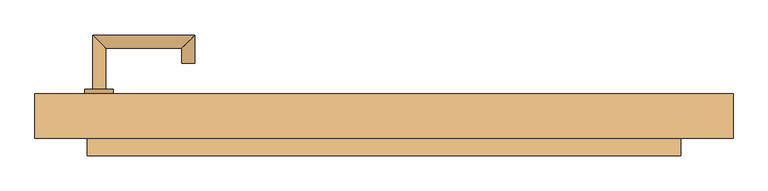
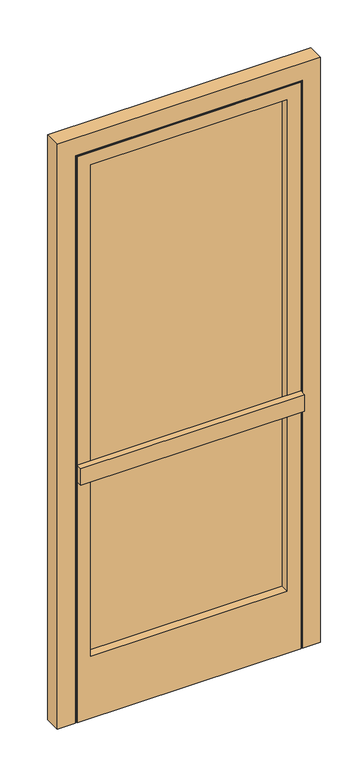
"""IFC4 building model written with IfcOpenShell, lengths in millimetres: door geometry."""

from ifc_helpers import new_model, si_unit, point, frame, frame_2d, origin, place, context, project, spatial, polyline, circle_curve, ellipse_curve, trimmed, segment, composite_curve, outline, extrude, faceted_brep, source, transform, mapped, element, save
from ifc_brep_helpers import plane_surface, cylinder_surface, advanced_brep


def door_94a16feb(model_context):
    return source(origin(), model_context, "Body", "SolidModel", [
        extrude(outline(polyline([(2355.3, 471.4875), (2355.3, -471.4875), (0.0, -471.4875), (0.0, 471.4875), (2355.3, 471.4875)]), holes=[polyline([(254.0, 381.0), (254.0, -381.0), (2264.8125, -381.0), (2264.8125, 381.0), (254.0, 381.0)])]), frame((0.0, 19.7696971, 0.0), z_axis=(0.0, 1.0, 0.0), x_axis=(0.0, 0.0, 1.0)), (0.0, 0.0, 1.0), 2.4553029),
        faceted_brep([(450.85, -39.4983196, 2334.6625), (-450.85, -39.4983196, 2334.6625), (-450.85, -39.4983196, 0.0), (-433.3875, -39.4983196, 0.0), (-433.3875, -39.4983196, 2317.2), (433.3875, -39.4983196, 2317.2), (433.3875, -39.4983196, 0.0), (450.85, -39.4983196, 0.0), (450.85, 19.7696971, 2334.6625), (450.85, 19.7696971, 0.0), (-450.85, 19.7696971, 0.0), (-450.85, 19.7696971, 2334.6625), (381.0, 19.7696971, 2264.8125), (-381.0, 19.7696971, 2264.8125), (-381.0, 19.7696971, 254.0), (381.0, 19.7696971, 254.0), (-381.0, -42.8625, 2264.8125), (-381.0, -42.8625, 254.0), (381.0, -42.8625, 2264.8125), (381.0, -42.8625, 254.0), (433.3875, -42.8625, 0.0), (-433.3875, -42.8625, 0.0), (433.3875, -42.8625, 2317.2), (-433.3875, -42.8625, 2317.2)], [[[0, 1, 2, 3, 4, 5, 6, 7]], [[8, 9, 10, 11], [12, 13, 14, 15]], [[1, 0, 8, 11]], [[2, 1, 11, 10]], [[14, 13, 16, 17]], [[16, 13, 12, 18]], [[18, 12, 15, 19]], [[10, 9, 7, 6, 20, 21, 3, 2]], [[0, 7, 9, 8]], [[20, 22, 23, 21], [19, 17, 16, 18]], [[22, 20, 6, 5]], [[23, 22, 5, 4]], [[19, 15, 14, 17]], [[21, 23, 4, 3]]]),
        extrude(outline(polyline([(381.0, -9.525), (-381.0, -9.525), (-381.0, 15.875), (381.0, 15.875), (381.0, -9.525)])), frame((0.0, 0.0, 254.0), z_axis=(0.0, 0.0, 1.0), x_axis=(1.0, 0.0, 0.0)), (0.0, 0.0, 1.0), 2010.8125),
        advanced_brep(
        [(-406.4, 28.575, 1020.7625), (-425.45, 28.575, 1020.7625), (-425.45, 107.95, 1020.7625), (-406.4, 88.9, 1020.7625), (-276.225, 107.95, 1020.7625), (-295.275, 88.9, 1020.7625), (-295.275, 66.675, 1020.7625), (-276.225, 66.675, 1020.7625)],
        [
            (0, 1, circle_curve(frame((-415.925, 28.575, 1020.7625), z_axis=(0.0, -1.0, 0.0), x_axis=(-1.0000000000000004, 0.0, 0.0)), 9.525)),
            (1, 0, circle_curve(frame((-415.925, 28.575, 1020.7625), z_axis=(0.0, -1.0, 0.0), x_axis=(-1.0000000000000004, 0.0, 0.0)), 9.525)),
            (1, 2),
            (2, 3, ellipse_curve(frame((-415.925, 98.425, 1020.7625), z_axis=(-0.7071067811865588, -0.7071067811865362, 0.0), x_axis=(0.7071067811865362, -0.7071067811865588, 0.0)), 13.4703842, 9.525)),
            (3, 0),
            (3, 2, ellipse_curve(frame((-415.925, 98.425, 1020.7625), z_axis=(-0.7071067811865588, -0.7071067811865362, 0.0), x_axis=(0.7071067811865362, -0.7071067811865588, 0.0)), 13.4703842, 9.525)),
            (2, 4),
            (4, 5, ellipse_curve(frame((-285.75, 98.425, 1020.7625), z_axis=(-0.707106781186536, 0.707106781186559, 0.0), x_axis=(-0.707106781186559, -0.7071067811865359, 0.0)), 13.4703842, 9.525)),
            (5, 3),
            (5, 4, ellipse_curve(frame((-285.75, 98.425, 1020.7625), z_axis=(-0.707106781186536, 0.707106781186559, 0.0), x_axis=(-0.707106781186559, -0.7071067811865359, 0.0)), 13.4703842, 9.525)),
            (6, 7, circle_curve(frame((-285.75, 66.675, 1020.7625), z_axis=(0.0, -1.0, 0.0), x_axis=(1.0000000000000004, 0.0, 0.0)), 9.525)),
            (7, 6, circle_curve(frame((-285.75, 66.675, 1020.7625), z_axis=(0.0, -1.0, 0.0), x_axis=(1.0000000000000004, 0.0, 0.0)), 9.525)),
            (4, 7),
            (6, 5),
        ],
        [
            plane_surface(frame((-415.925, 28.575, 0.0), z_axis=(0.0, -1.0, 0.0), x_axis=(0.0, 0.0, 1.0))),
            cylinder_surface(frame((-415.925, 28.575, 1020.7625), z_axis=(0.0, -1.0000000000000004, 0.0), x_axis=(-1.0000000000000004, 0.0, 0.0)), 9.525),
            cylinder_surface(frame((-415.925, 98.425, 1020.7625), z_axis=(-1.0000000000000004, 0.0, 0.0), x_axis=(0.0, 1.0000000000000004, 0.0)), 9.525),
            plane_surface(frame((-285.75, 66.675, 0.0), z_axis=(0.0, -1.0, 0.0), x_axis=(0.0, 0.0, 1.0))),
            cylinder_surface(frame((-285.75, 98.425, 1020.7625), z_axis=(0.0, 1.0000000000000004, 0.0), x_axis=(1.0000000000000004, 0.0, 0.0)), 9.525),
        ],
        [
            (0, [[1, 2]]),
            (1, [[-2, 3, 4, 5]]),
            (1, [[-1, -5, 6, -3]]),
            (2, [[-4, 7, 8, 9]]),
            (2, [[-6, -9, 10, -7]]),
            (3, [[11, 12]]),
            (4, [[-8, 13, -11, 14]]),
            (4, [[-10, -14, -12, -13]]),
        ],
    ),
        extrude(outline(polyline([(433.3875, -68.2625), (-433.3875, -68.2625), (-433.3875, -42.8625), (433.3875, -42.8625), (433.3875, -68.2625)])), frame((0.0, 0.0, 986.63125), z_axis=(0.0, 0.0, 1.0), x_axis=(1.0, 0.0, 0.0)), (0.0, 0.0, 1.0), 68.2625),
        extrude(outline(composite_curve([segment(trimmed(circle_curve(frame_2d((1020.7625, -415.925)), 20.6375), [point((1020.7625, -395.2875))], [point((1020.7625, -436.5625))], False, "CARTESIAN"), True, "CONTINUOUS"), segment(trimmed(circle_curve(frame_2d((1020.7625, -415.925)), 20.6375), [point((1020.7625, -436.5625))], [point((1020.7625, -395.2875))], False, "CARTESIAN"), True, "CONTINUOUS")], self_intersect=False)), frame((0.0, 22.225, 0.0), z_axis=(0.0, 1.0, 0.0), x_axis=(0.0, 0.0, 1.0)), (0.0, 0.0, 1.0), 6.35),
        faceted_brep([(509.5875, 22.225, 0.0), (509.5875, -42.8625, 0.0), (439.7375, -42.8625, 0.0), (439.7375, -39.6875, 0.0), (460.375, -39.6875, 0.0), (460.375, 15.875, 0.0), (474.6625, 15.875, 0.0), (474.6625, 22.225, 0.0), (509.5875, 22.225, 2393.4), (509.5875, -42.8625, 2393.4), (-509.5875, -42.8625, 2393.4), (-509.5875, -42.8625, 0.0), (-439.7375, -42.8625, 0.0), (-439.7375, -42.8625, 2323.55), (439.7375, -42.8625, 2323.55), (439.7375, -39.6875, 2323.55), (-439.7375, -39.6875, 2323.55), (-439.7375, -39.6875, 0.0), (-460.375, -39.6875, 0.0), (-460.375, -39.6875, 2344.1875), (460.375, -39.6875, 2344.1875), (460.375, 15.875, 2344.1875), (-460.375, 15.875, 2344.1875), (-460.375, 15.875, 0.0), (-474.6625, 15.875, 0.0), (-474.6625, 15.875, 2358.475), (474.6625, 15.875, 2358.475), (474.6625, 22.225, 2358.475), (-474.6625, 22.225, 2358.475), (-474.6625, 22.225, 0.0), (-509.5875, 22.225, 0.0), (-509.5875, 22.225, 2393.4)], [[[0, 1, 2, 3, 4, 5, 6, 7]], [[1, 0, 8, 9]], [[2, 1, 9, 10, 11, 12, 13, 14]], [[3, 2, 14, 15]], [[4, 3, 15, 16, 17, 18, 19, 20]], [[5, 4, 20, 21]], [[6, 5, 21, 22, 23, 24, 25, 26]], [[7, 6, 26, 27]], [[0, 7, 27, 28, 29, 30, 31, 8]], [[10, 31, 30, 11]], [[30, 29, 24, 23, 18, 17, 12, 11]], [[16, 13, 12, 17]], [[22, 19, 18, 23]], [[28, 25, 24, 29]], [[9, 8, 31, 10]], [[15, 14, 13, 16]], [[27, 26, 25, 28]], [[21, 20, 19, 22]]]),
    ])


if __name__ == "__main__":
    model = new_model("IFC4")
    model_context = context("Model", 3, world=origin())
    ifc_project = project(units=[si_unit("LENGTHUNIT", "METRE", prefix="MILLI")], contexts=[model_context])
    site = spatial("IfcSite", under=ifc_project)
    building = spatial("IfcBuilding", under=site)
    placement = place(None, origin())
    door_shape = door_94a16feb(model_context)
    element("IfcDoor", 1, at=placement, inside=building, context=model_context, shape_type="MappedRepresentation", body=[
        mapped(door_shape, transform((0.0, 0.0, 0.0), x_axis=(1.0, 0.0, 0.0), y_axis=(0.0, 1.0, 0.0), z_axis=(0.0, 0.0, 1.0))),
    ])
    save(model, "model.ifc")
